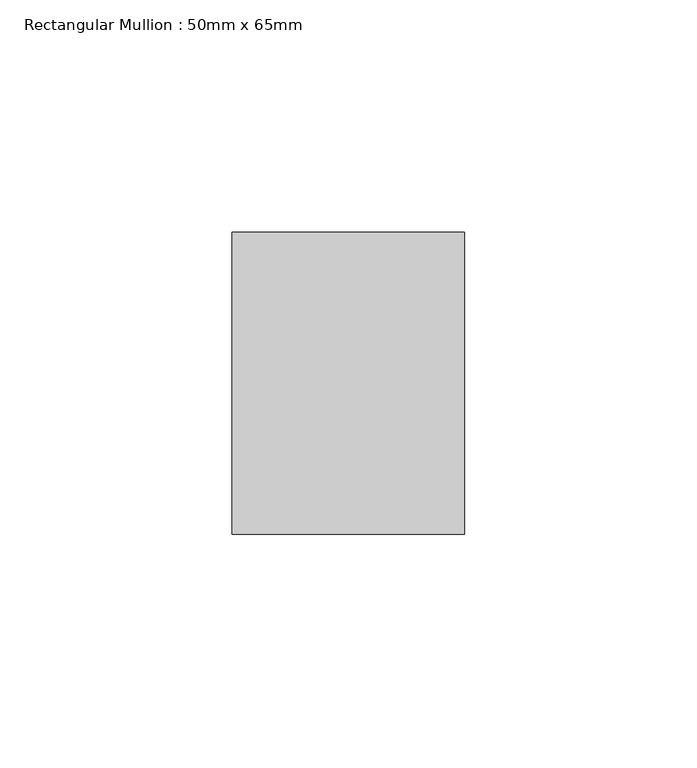
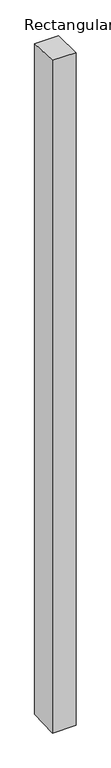
"""IFC4 building model written with IfcOpenShell, lengths in millimetres: member geometry, Rectangular Mullion : 50mm x 65mm."""

from ifc_helpers import new_model, si_unit, origin, place, context, project, spatial, faceted_brep, source, transform, mapped, element, save


def rectangular_mullion_50mm_x_65mm_6c28b23b(model_context):
    return source(origin(), model_context, "Body", "Brep", [
        faceted_brep([(-25.0, 32.5, -1.1419505), (25.0, 32.5, -1.1419511), (25.0, 32.5, -1498.5319883), (-25.0, 32.5, -1498.5319891), (-25.0, -32.5, 1.1419511), (-25.0, -32.5, -1501.4673405), (25.0, -32.5, 1.1419505), (25.0, -32.5, -1501.4673398)], [[[0, 1, 2, 3]], [[4, 0, 3, 5]], [[6, 4, 5, 7]], [[1, 6, 7, 2]], [[1, 0, 4, 6]], [[2, 7, 5, 3]]]),
    ])


if __name__ == "__main__":
    model = new_model("IFC4")
    model_context = context("Model", 3, world=origin())
    ifc_project = project(units=[si_unit("LENGTHUNIT", "METRE", prefix="MILLI")], contexts=[model_context])
    site = spatial("IfcSite", under=ifc_project)
    building = spatial("IfcBuilding", under=site)
    placement = place(None, origin())
    rectangular_mullion_50mm_x_65mm_shape = rectangular_mullion_50mm_x_65mm_6c28b23b(model_context)
    element("IfcMember", 1, ObjectType="Rectangular Mullion : 50mm x 65mm", at=placement, inside=building, context=model_context, shape_type="MappedRepresentation", body=[
        mapped(rectangular_mullion_50mm_x_65mm_shape, transform((0.0, 0.0, 0.0), x_axis=(1.0, 0.0, 0.0), y_axis=(0.0, 1.0, 0.0), z_axis=(0.0, 0.0, 1.0))),
    ])
    save(model, "model.ifc")
